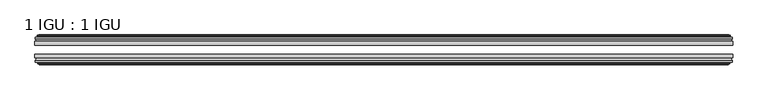
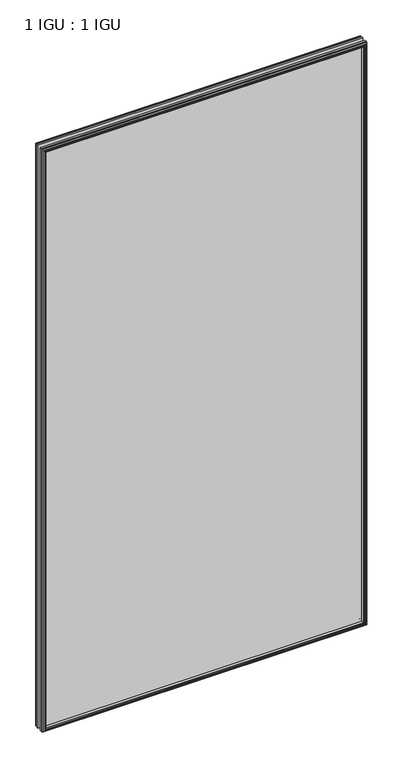
"""IFC4 building model written with IfcOpenShell, lengths in millimetres: plate geometry, 1 IGU : 1 IGU."""

from ifc_helpers import new_model, si_unit, frame, origin, place, context, project, spatial, polyline, outline, extrude, faceted_brep, source, transform, mapped, element, save


def plate_1_igu_1_igu_ba1bad20(model_context):
    return source(origin(), model_context, "Body", "SolidModel", [
        extrude(outline(polyline([(532.5539884, -25.8960937), (532.5539884, -32.2460938), (-532.5539884, -32.2460938), (-532.5539884, -25.8960937), (532.5539884, -25.8960937)])), frame((0.0, 0.0, -12.7), z_axis=(0.0, 0.0, 1.0), x_axis=(1.0, 0.0, 0.0)), (0.0, 0.0, 1.0), 2019.3),
        extrude(outline(polyline([(-532.5539884, -51.2960938), (-532.5539884, -45.2686737), (532.5539884, -45.2686737), (532.5539884, -51.2960938), (-532.5539884, -51.2960938)])), frame((0.0, 0.0, -12.7), z_axis=(0.0, 0.0, 1.0), x_axis=(1.0, 0.0, 0.0)), (0.0, 0.0, 1.0), 2019.3),
        faceted_brep([(-526.9659884, -60.0262907, 2001.012), (-527.3469884, -57.6460937, 2001.393), (-527.3469884, -57.6460937, -7.493), (-526.9659884, -60.0262907, -7.112), (-528.3815174, -59.5663575, 2002.4275291), (-528.3815174, -59.5663575, -8.5275291), (-528.3815174, -60.3675717, 2002.4275291), (-528.3815174, -60.3675717, -8.5275291), (-526.2039884, -61.0750937, 2000.25), (-526.2039884, -61.0750937, -6.35), (-524.0264593, -60.3675717, 1998.0724709), (-524.0264593, -60.3675717, -4.1724709), (-524.0264593, -59.5663575, 1998.0724709), (-524.0264593, -59.5663575, -4.1724709), (-525.4419884, -60.0262907, 1999.488), (-525.4419884, -60.0262907, -5.588), (-525.0609884, -57.6460937, 1999.107), (-525.0609884, -57.6460937, -5.207), (-518.1362703, -51.2960937, 1992.1822819), (-519.8539884, -57.6460937, 1993.9), (-519.8539884, -57.6460937, 0.0), (-518.1362703, -51.2960937, 1.7177181), (-531.7919884, -54.6996937, 2005.838), (-528.9576462, -51.2960937, 2003.0036578), (-528.9576462, -51.2960937, -9.1036578), (-531.7919884, -54.6996937, -11.938), (-531.7919884, -57.6460937, 2005.838), (-531.7919884, -57.6460937, -11.938), (527.3469884, -57.6460938, -7.493), (526.9659884, -60.0262907, -7.112), (528.3815174, -59.5663575, -8.5275291), (528.3815174, -60.3675717, -8.5275291), (526.2039884, -61.0750937, -6.35), (524.0264593, -60.3675717, -4.1724709), (524.0264593, -59.5663575, -4.1724709), (525.4419884, -60.0262907, -5.588), (525.0609884, -57.6460937, -5.207), (519.8539884, -57.6460937, 0.0), (518.1362703, -51.2960937, 1.7177181), (528.9576462, -51.2960937, -9.1036578), (531.7919884, -54.6996937, -11.938), (531.7919884, -57.6460938, -11.938), (527.3469884, -57.6460938, 2001.393), (526.9659884, -60.0262907, 2001.012), (528.3815174, -59.5663575, 2002.4275291), (528.3815174, -60.3675717, 2002.4275291), (526.2039884, -61.0750937, 2000.25), (524.0264593, -60.3675717, 1998.0724709), (524.0264593, -59.5663575, 1998.0724709), (525.4419884, -60.0262907, 1999.488), (525.0609884, -57.6460937, 1999.107), (519.8539884, -57.6460937, 1993.9), (518.1362703, -51.2960937, 1992.1822819), (528.9576462, -51.2960937, 2003.0036578), (531.7919884, -54.6996937, 2005.838), (531.7919884, -57.6460938, 2005.838)], [[[0, 1, 2, 3]], [[4, 0, 3, 5]], [[6, 4, 5, 7]], [[8, 6, 7, 9]], [[10, 8, 9, 11]], [[12, 10, 11, 13]], [[14, 12, 13, 15]], [[16, 14, 15, 17]], [[18, 19, 20, 21]], [[22, 23, 24, 25]], [[26, 22, 25, 27]], [[3, 2, 28, 29]], [[5, 3, 29, 30]], [[7, 5, 30, 31]], [[9, 7, 31, 32]], [[11, 9, 32, 33]], [[13, 11, 33, 34]], [[15, 13, 34, 35]], [[17, 15, 35, 36]], [[21, 20, 37, 38]], [[25, 24, 39, 40]], [[27, 25, 40, 41]], [[29, 28, 42, 43]], [[30, 29, 43, 44]], [[31, 30, 44, 45]], [[32, 31, 45, 46]], [[33, 32, 46, 47]], [[34, 33, 47, 48]], [[35, 34, 48, 49]], [[36, 35, 49, 50]], [[38, 37, 51, 52]], [[40, 39, 53, 54]], [[41, 40, 54, 55]], [[27, 41, 55, 26], [1, 42, 28, 2]], [[43, 42, 1, 0]], [[44, 43, 0, 4]], [[45, 44, 4, 6]], [[46, 45, 6, 8]], [[47, 46, 8, 10]], [[48, 47, 10, 12]], [[49, 48, 12, 14]], [[50, 49, 14, 16]], [[17, 36, 50, 16], [19, 51, 37, 20]], [[52, 51, 19, 18]], [[23, 53, 39, 24], [21, 38, 52, 18]], [[54, 53, 23, 22]], [[55, 54, 22, 26]]]),
        faceted_brep([(-529.4783462, -25.8960937, 2003.5243578), (-532.3126884, -22.4924937, 2006.3587), (-532.3126884, -22.4924937, -12.4587), (-529.4783462, -25.8960937, -9.6243578), (-520.3746884, -19.5460937, 1994.4207), (-518.6569703, -25.8960937, 1992.7029819), (-518.6569703, -25.8960937, 1.1970181), (-520.3746884, -19.5460937, -0.5207), (-525.9626884, -17.1658968, 2000.0087), (-525.5816884, -19.5460937, 1999.6277), (-525.5816884, -19.5460937, -5.7277), (-525.9626884, -17.1658968, -6.1087), (-524.5471593, -17.62583, 1998.5931709), (-524.5471593, -17.62583, -4.6931709), (-524.5471593, -16.8246158, 1998.5931709), (-524.5471593, -16.8246158, -4.6931709), (-526.7246884, -16.1170937, 2000.7707), (-526.7246884, -16.1170937, -6.8707), (-528.9022174, -16.8246158, 2002.9482291), (-528.9022174, -16.8246158, -9.0482291), (-528.9022174, -17.62583, 2002.9482291), (-528.9022174, -17.62583, -9.0482291), (-527.4866884, -17.1658968, 2001.5327), (-527.4866884, -17.1658968, -7.6327), (-527.8676884, -19.5460937, 2001.9137), (-527.8676884, -19.5460937, -8.0137), (-532.3126884, -19.5460937, 2006.3587), (-532.3126884, -19.5460937, -12.4587), (532.3126884, -22.4924937, -12.4587), (529.4783462, -25.8960937, -9.6243578), (518.6569703, -25.8960937, 1.1970181), (520.3746884, -19.5460937, -0.5207), (525.5816884, -19.5460937, -5.7277), (525.9626884, -17.1658968, -6.1087), (524.5471593, -17.62583, -4.6931709), (524.5471593, -16.8246158, -4.6931709), (526.7246884, -16.1170937, -6.8707), (528.9022174, -16.8246158, -9.0482291), (528.9022174, -17.62583, -9.0482291), (527.4866884, -17.1658968, -7.6327), (527.8676884, -19.5460937, -8.0137), (532.3126884, -19.5460937, -12.4587), (532.3126884, -22.4924937, 2006.3587), (529.4783462, -25.8960937, 2003.5243578), (518.6569703, -25.8960937, 1992.7029819), (520.3746884, -19.5460937, 1994.4207), (525.5816884, -19.5460937, 1999.6277), (525.9626884, -17.1658968, 2000.0087), (524.5471593, -17.62583, 1998.5931709), (524.5471593, -16.8246158, 1998.5931709), (526.7246884, -16.1170937, 2000.7707), (528.9022174, -16.8246158, 2002.9482291), (528.9022174, -17.62583, 2002.9482291), (527.4866884, -17.1658968, 2001.5327), (527.8676884, -19.5460937, 2001.9137), (532.3126884, -19.5460937, 2006.3587)], [[[0, 1, 2, 3]], [[4, 5, 6, 7]], [[8, 9, 10, 11]], [[12, 8, 11, 13]], [[14, 12, 13, 15]], [[16, 14, 15, 17]], [[18, 16, 17, 19]], [[20, 18, 19, 21]], [[22, 20, 21, 23]], [[24, 22, 23, 25]], [[1, 26, 27, 2]], [[3, 2, 28, 29]], [[7, 6, 30, 31]], [[11, 10, 32, 33]], [[13, 11, 33, 34]], [[15, 13, 34, 35]], [[17, 15, 35, 36]], [[19, 17, 36, 37]], [[21, 19, 37, 38]], [[23, 21, 38, 39]], [[25, 23, 39, 40]], [[2, 27, 41, 28]], [[29, 28, 42, 43]], [[31, 30, 44, 45]], [[33, 32, 46, 47]], [[34, 33, 47, 48]], [[35, 34, 48, 49]], [[36, 35, 49, 50]], [[37, 36, 50, 51]], [[38, 37, 51, 52]], [[39, 38, 52, 53]], [[40, 39, 53, 54]], [[28, 41, 55, 42]], [[43, 42, 1, 0]], [[3, 29, 43, 0], [5, 44, 30, 6]], [[45, 44, 5, 4]], [[9, 46, 32, 10], [7, 31, 45, 4]], [[47, 46, 9, 8]], [[48, 47, 8, 12]], [[49, 48, 12, 14]], [[50, 49, 14, 16]], [[51, 50, 16, 18]], [[52, 51, 18, 20]], [[53, 52, 20, 22]], [[54, 53, 22, 24]], [[26, 55, 41, 27], [25, 40, 54, 24]], [[42, 55, 26, 1]]]),
    ])


if __name__ == "__main__":
    model = new_model("IFC4")
    model_context = context("Model", 3, world=origin())
    ifc_project = project(units=[si_unit("LENGTHUNIT", "METRE", prefix="MILLI")], contexts=[model_context])
    site = spatial("IfcSite", under=ifc_project)
    building = spatial("IfcBuilding", under=site)
    placement = place(None, origin())
    plate_1_igu_1_igu_shape = plate_1_igu_1_igu_ba1bad20(model_context)
    element("IfcPlate", 1, ObjectType="1 IGU : 1 IGU", at=placement, inside=building, context=model_context, shape_type="MappedRepresentation", body=[
        mapped(plate_1_igu_1_igu_shape, transform((0.0, 0.0, 0.0), x_axis=(1.0, 0.0, 0.0), y_axis=(0.0, 1.0, 0.0), z_axis=(0.0, 0.0, 1.0))),
    ])
    save(model, "model.ifc")
